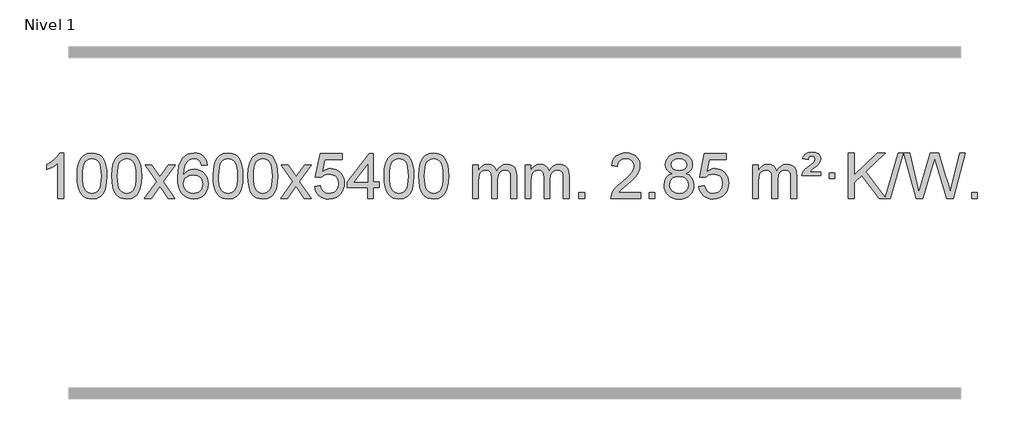
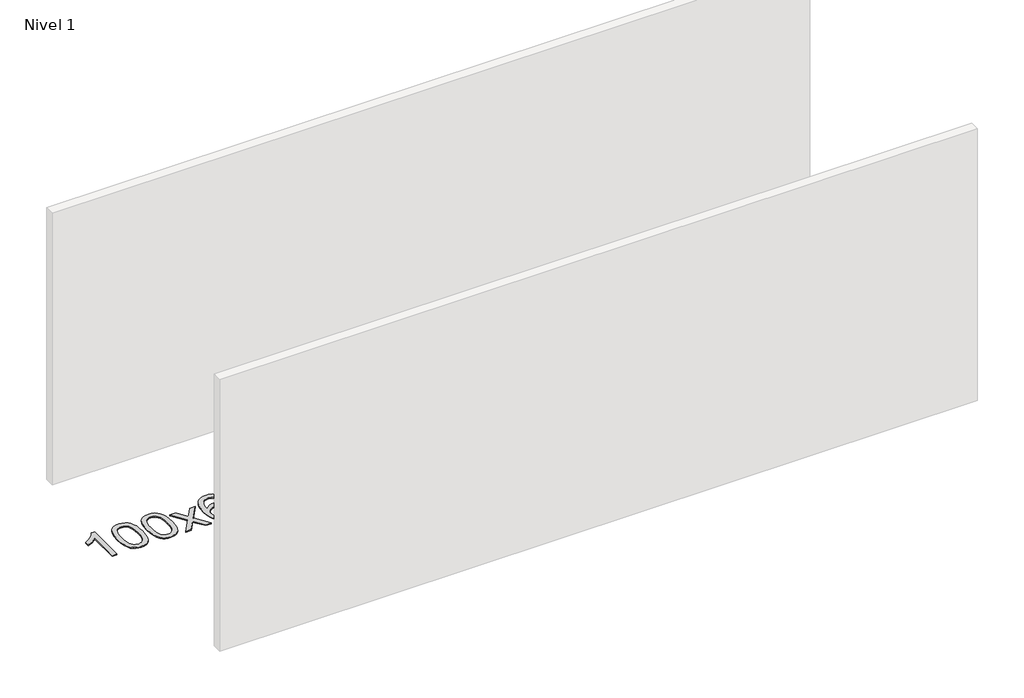
# One storey, part 7 of 16: 1 proxy.
"""IFC4 building model written with IfcOpenShell, lengths in millimetres."""

from ifc_helpers import new_model, si_unit, origin, origin_with_axes, place, context, project, spatial, polyline, outline, extrude, element, save

model = new_model("IFC4")

# Units and contexts
model_context = context("Model", 3, world=origin())
ifc_project = project(units=[si_unit("LENGTHUNIT", "METRE", prefix="MILLI")], contexts=[model_context])

# Site, building, storey
site = spatial("IfcSite", under=ifc_project)
building = spatial("IfcBuilding", under=site)
storey = spatial("IfcBuildingStorey", under=building, Name="Nivel 1", Elevation=0.0)

# Proxy
placement = place(None, origin())
element("IfcBuildingElementProxy", 1, Name="Texto de modelo 1", ObjectType="Texto de modelo 1", at=placement, inside=storey, context=model_context, shape_type="SweptSolid", body=[
    extrude(outline(polyline([(-275.4615788, -21520.579453), (-325.6897338, -21520.579453), (-325.6897338, -21207.4382987), (-346.6590076, -21224.3976587), (-373.2691385, -21241.3324932), (-426.146044, -21266.6918254), (-426.146044, -21219.2105225), (-386.6968314, -21197.7507395), (-352.520594, -21172.219729), (-325.5793692, -21145.0700378), (-307.8351943, -21118.7542124), (-275.4615788, -21118.7542124), (-275.4615788, -21520.579453)])), origin_with_axes(), (0.0, 0.0, 1.0), 10.0),
    extrude(outline(polyline([(-156.1697105, -21322.9041943), (-152.4786278, -21258.5861588), (-141.4053797, -21207.2911459), (-123.0603309, -21168.2343407), (-111.2022679, -21153.0009605), (-97.5538459, -21140.6309284), (-82.0690796, -21131.0598651), (-64.7019837, -21124.2233914), (-24.3208034, -21118.7542124), (6.6303351, -21121.991574), (34.3441121, -21131.7036586), (57.5206778, -21147.5103217), (74.8601825, -21169.0314184), (87.9567815, -21196.0830078), (98.4046302, -21228.4811488), (105.2472353, -21269.6226186), (107.5281037, -21322.9041943), (103.8738092, -21386.8543477), (92.9109257, -21438.0267333), (74.6762415, -21477.1203266), (62.8457697, -21492.3996922), (49.2065447, -21504.8341036), (33.7033843, -21514.4695462), (16.2811061, -21521.3520052), (-24.3208034, -21526.8579724), (-51.9855294, -21524.4667394), (-76.5109958, -21517.2930405), (-97.8972024, -21505.3368757), (-116.1441494, -21488.5982449), (-133.6553324, -21458.3399508), (-146.1633202, -21420.6381776), (-153.6681129, -21375.4929255), (-156.1697105, -21322.9041943)]), holes=[polyline([(-105.9415554, -21322.8060924), (-104.4700274, -21366.4706195), (-100.0554435, -21401.8148822), (-92.6978036, -21428.8388804), (-82.3971077, -21447.5426142), (-69.9381708, -21460.2682656), (-56.1058078, -21469.3580165), (-40.9000186, -21474.8118671), (-24.3208034, -21476.6298173), (-7.7415881, -21474.8057357), (7.464201, -21469.3334911), (21.296564, -21460.2130833), (33.7555009, -21447.4445124), (44.0561968, -21428.7101217), (51.4138367, -21401.6922549), (55.8284206, -21366.3909118), (57.2999486, -21322.8060924), (55.8774716, -21280.2973278), (51.6100404, -21245.5753989), (44.4976552, -21218.6403055), (34.5403158, -21199.4920476), (22.2898454, -21186.1440625), (8.2980668, -21176.6097875), (-7.4350198, -21170.8892225), (-24.9094146, -21168.9823675), (-41.4027907, -21170.6623619), (-56.3510624, -21175.7023452), (-69.7542298, -21184.1023175), (-81.6122928, -21195.8622786), (-92.2563452, -21216.708925), (-99.8592397, -21244.8151094), (-104.4209765, -21280.1808319), (-105.9415554, -21322.8060924)])]), origin_with_axes(), (0.0, 0.0, 1.0), 10.0),
    extrude(outline(polyline([(151.4777394, -21322.9041943), (155.1688221, -21258.5861588), (166.2420701, -21207.2911459), (184.5871189, -21168.2343407), (196.4451819, -21153.0009605), (210.0936039, -21140.6309284), (225.5783702, -21131.0598651), (242.9454661, -21124.2233914), (283.3266464, -21118.7542124), (314.277785, -21121.991574), (341.9915619, -21131.7036586), (365.1681276, -21147.5103217), (382.5076323, -21169.0314184), (395.6042314, -21196.0830078), (406.05208, -21228.4811488), (412.8946851, -21269.6226186), (415.1755535, -21322.9041943), (411.521259, -21386.8543477), (400.5583756, -21438.0267333), (382.3236913, -21477.1203266), (370.4932195, -21492.3996922), (356.8539945, -21504.8341036), (341.3508341, -21514.4695462), (323.928556, -21521.3520052), (283.3266464, -21526.8579724), (255.6619204, -21524.4667394), (231.1364541, -21517.2930405), (209.7502474, -21505.3368757), (191.5033004, -21488.5982449), (173.9921175, -21458.3399508), (161.4841296, -21420.6381776), (153.9793369, -21375.4929255), (151.4777394, -21322.9041943)]), holes=[polyline([(201.7058944, -21322.8060924), (203.1774224, -21366.4706195), (207.5920064, -21401.8148822), (214.9496463, -21428.8388804), (225.2503421, -21447.5426142), (237.709279, -21460.2682656), (251.5416421, -21469.3580165), (266.7474312, -21474.8118671), (283.3266464, -21476.6298173), (299.9058617, -21474.8057357), (315.1116508, -21469.3334911), (328.9440138, -21460.2130833), (341.4029507, -21447.4445124), (351.7036466, -21428.7101217), (359.0612865, -21401.6922549), (363.4758705, -21366.3909118), (364.9473984, -21322.8060924), (363.5249214, -21280.2973278), (359.2574902, -21245.5753989), (352.145105, -21218.6403055), (342.1877657, -21199.4920476), (329.9372952, -21186.1440625), (315.9455167, -21176.6097875), (300.21243, -21170.8892225), (282.7380352, -21168.9823675), (266.2446591, -21170.6623619), (251.2963874, -21175.7023452), (237.89322, -21184.1023175), (226.0351571, -21195.8622786), (215.3911047, -21216.708925), (207.7882101, -21244.8151094), (203.2264734, -21280.1808319), (201.7058944, -21322.8060924)])]), origin_with_axes(), (0.0, 0.0, 1.0), 10.0),
    extrude(outline(polyline([(440.2896311, -21520.579453), (547.6130718, -21372.2494325), (446.5681504, -21225.4890419), (506.9988995, -21225.4890419), (555.7555266, -21296.122385), (578.5151594, -21329.4770192), (598.2336343, -21302.2047007), (653.7592901, -21225.4890419), (714.1900392, -21225.4890419), (608.0438209, -21372.2494325), (710.2659646, -21520.579453), (649.8352155, -21520.579453), (588.3253459, -21431.4048574), (577.0436314, -21415.1199477), (500.7203801, -21520.579453), (440.2896311, -21520.579453)])), origin_with_axes(), (0.0, 0.0, 1.0), 10.0),
    extrude(outline(polyline([(999.0778563, -21225.4890419), (948.8497012, -21231.7675613), (940.7562973, -21206.874213), (929.8179393, -21189.8780648), (907.0337811, -21174.2062918), (879.4916824, -21168.9823675), (856.1434384, -21172.0235253), (834.1686206, -21181.1469988), (815.2962742, -21200.3627017), (799.8820186, -21226.8134171), (789.4709581, -21264.227016), (785.6081972, -21316.3313693), (805.7558678, -21292.8237098), (829.9011894, -21276.2567573), (856.6952614, -21266.434308), (884.7891831, -21263.1601582), (908.922242, -21265.398107), (931.1913654, -21272.1119534), (951.5965534, -21283.3016975), (970.137806, -21298.9673391), (985.5459302, -21318.1769106), (996.5517332, -21339.9984443), (1003.155215, -21364.4319401), (1005.3563756, -21391.4773982), (1001.2115718, -21427.4439945), (988.7771604, -21460.786366), (969.0832109, -21489.0642287), (943.159793, -21509.8372987), (912.184129, -21522.602804), (877.3334413, -21526.8579724), (847.3909126, -21524.0375437), (820.3485203, -21515.5762579), (796.2062643, -21501.4741147), (774.9641448, -21481.7311143), (757.6460999, -21455.5133908), (745.2760678, -21421.9870783), (737.8540485, -21381.1521768), (735.3800421, -21333.0086864), (738.1268943, -21279.0342663), (746.367451, -21232.9693092), (760.1017122, -21194.8138149), (779.3296778, -21164.5677835), (800.1701928, -21144.5243462), (824.3339085, -21130.2076052), (851.820825, -21121.6175606), (882.6309421, -21118.7542124), (905.7645882, -21120.5261773), (926.7032051, -21125.8420722), (945.4467927, -21134.7018969), (961.9953511, -21147.1056515), (975.9012906, -21162.6364031), (986.7170212, -21180.8772186), (994.4425431, -21201.8280983), (999.0778563, -21225.4890419)]), holes=[polyline([(785.6081972, -21390.6925832), (788.514465, -21412.9494439), (797.2332682, -21434.2007605), (810.7713257, -21452.472233), (828.1353558, -21465.7895612), (849.0923668, -21473.9197533), (873.4093667, -21476.6298173), (906.5555345, -21471.0134855), (920.4706709, -21463.9930708), (932.6138425, -21454.1644901), (942.4638829, -21441.9262824), (949.499626, -21427.6769865), (955.1282206, -21393.1451299), (949.5732024, -21359.9989621), (942.6294298, -21346.3781312), (932.9081481, -21334.725469), (920.7281883, -21325.3904634), (906.4083817, -21318.7226022), (871.3492275, -21313.3883133), (838.2521107, -21318.7226022), (810.5751219, -21334.725469), (799.6520924, -21346.2248471), (791.8499284, -21359.3858254), (787.16863, -21374.2084042), (785.6081972, -21390.6925832)])]), origin_with_axes(), (0.0, 0.0, 1.0), 10.0),
    extrude(outline(polyline([(1049.3060113, -21322.9041943), (1052.997094, -21258.5861588), (1064.0703421, -21207.2911459), (1082.4153909, -21168.2343407), (1094.2734539, -21153.0009605), (1107.9218759, -21140.6309284), (1123.4066422, -21131.0598651), (1140.7737381, -21124.2233914), (1181.1549184, -21118.7542124), (1212.1060569, -21121.991574), (1239.8198339, -21131.7036586), (1262.9963996, -21147.5103217), (1280.3359043, -21169.0314184), (1293.4325033, -21196.0830078), (1303.880352, -21228.4811488), (1310.7229571, -21269.6226186), (1313.0038255, -21322.9041943), (1309.349531, -21386.8543477), (1298.3866475, -21438.0267333), (1280.1519633, -21477.1203266), (1268.3214915, -21492.3996922), (1254.6822665, -21504.8341036), (1239.1791061, -21514.4695462), (1221.7568279, -21521.3520052), (1181.1549184, -21526.8579724), (1153.4901924, -21524.4667394), (1128.964726, -21517.2930405), (1107.5785194, -21505.3368757), (1089.3315724, -21488.5982449), (1071.8203894, -21458.3399508), (1059.3124016, -21420.6381776), (1051.8076089, -21375.4929255), (1049.3060113, -21322.9041943)]), holes=[polyline([(1099.5341664, -21322.8060924), (1101.0056944, -21366.4706195), (1105.4202783, -21401.8148822), (1112.7779182, -21428.8388804), (1123.0786141, -21447.5426142), (1135.537551, -21460.2682656), (1149.369914, -21469.3580165), (1164.5757032, -21474.8118671), (1181.1549184, -21476.6298173), (1197.7341337, -21474.8057357), (1212.9399228, -21469.3334911), (1226.7722858, -21460.2130833), (1239.2312227, -21447.4445124), (1249.5319186, -21428.7101217), (1256.8895585, -21401.6922549), (1261.3041424, -21366.3909118), (1262.7756704, -21322.8060924), (1261.3531934, -21280.2973278), (1257.0857622, -21245.5753989), (1249.973377, -21218.6403055), (1240.0160376, -21199.4920476), (1227.7655672, -21186.1440625), (1213.7737886, -21176.6097875), (1198.040702, -21170.8892225), (1180.5663072, -21168.9823675), (1164.0729311, -21170.6623619), (1149.1246594, -21175.7023452), (1135.721492, -21184.1023175), (1123.863429, -21195.8622786), (1113.2193766, -21216.708925), (1105.6164821, -21244.8151094), (1101.0547453, -21280.1808319), (1099.5341664, -21322.8060924)])]), origin_with_axes(), (0.0, 0.0, 1.0), 10.0),
    extrude(outline(polyline([(1356.9534612, -21322.9041943), (1360.6445439, -21258.5861588), (1371.7177919, -21207.2911459), (1390.0628407, -21168.2343407), (1401.9209037, -21153.0009605), (1415.5693257, -21140.6309284), (1431.054092, -21131.0598651), (1448.4211879, -21124.2233914), (1488.8023682, -21118.7542124), (1519.7535068, -21121.991574), (1547.4672837, -21131.7036586), (1570.6438494, -21147.5103217), (1587.9833541, -21169.0314184), (1601.0799532, -21196.0830078), (1611.5278018, -21228.4811488), (1618.3704069, -21269.6226186), (1620.6512753, -21322.9041943), (1616.9969808, -21386.8543477), (1606.0340974, -21438.0267333), (1587.7994131, -21477.1203266), (1575.9689413, -21492.3996922), (1562.3297163, -21504.8341036), (1546.8265559, -21514.4695462), (1529.4042778, -21521.3520052), (1488.8023682, -21526.8579724), (1461.1376422, -21524.4667394), (1436.6121759, -21517.2930405), (1415.2259692, -21505.3368757), (1396.9790222, -21488.5982449), (1379.4678393, -21458.3399508), (1366.9598514, -21420.6381776), (1359.4550587, -21375.4929255), (1356.9534612, -21322.9041943)]), holes=[polyline([(1407.1816162, -21322.8060924), (1408.6531442, -21366.4706195), (1413.0677282, -21401.8148822), (1420.4253681, -21428.8388804), (1430.7260639, -21447.5426142), (1443.1850008, -21460.2682656), (1457.0173639, -21469.3580165), (1472.223153, -21474.8118671), (1488.8023682, -21476.6298173), (1505.3815835, -21474.8057357), (1520.5873726, -21469.3334911), (1534.4197356, -21460.2130833), (1546.8786725, -21447.4445124), (1557.1793684, -21428.7101217), (1564.5370083, -21401.6922549), (1568.9515923, -21366.3909118), (1570.4231202, -21322.8060924), (1569.0006432, -21280.2973278), (1564.733212, -21245.5753989), (1557.6208268, -21218.6403055), (1547.6634875, -21199.4920476), (1535.413017, -21186.1440625), (1521.4212385, -21176.6097875), (1505.6881518, -21170.8892225), (1488.213757, -21168.9823675), (1471.7203809, -21170.6623619), (1456.7721092, -21175.7023452), (1443.3689418, -21184.1023175), (1431.5108789, -21195.8622786), (1420.8668265, -21216.708925), (1413.2639319, -21244.8151094), (1408.7021952, -21280.1808319), (1407.1816162, -21322.8060924)])]), origin_with_axes(), (0.0, 0.0, 1.0), 10.0),
    extrude(outline(polyline([(1645.7653528, -21520.579453), (1753.0887936, -21372.2494325), (1652.0438722, -21225.4890419), (1712.4746213, -21225.4890419), (1761.2312484, -21296.122385), (1783.9908812, -21329.4770192), (1803.7093561, -21302.2047007), (1859.2350119, -21225.4890419), (1919.665761, -21225.4890419), (1813.5195426, -21372.2494325), (1915.7416864, -21520.579453), (1855.3109373, -21520.579453), (1793.8010677, -21431.4048574), (1782.5193532, -21415.1199477), (1706.1961019, -21520.579453), (1645.7653528, -21520.579453)])), origin_with_axes(), (0.0, 0.0, 1.0), 10.0),
    extrude(outline(polyline([(1947.1342833, -21413.8446235), (1997.3624384, -21407.5661041), (2006.5840137, -21437.7201649), (2022.6727196, -21459.3148381), (2045.5549797, -21472.3010725), (2075.1572176, -21476.6298173), (2094.2870814, -21475.1245668), (2111.1606022, -21470.6088153), (2125.7777802, -21463.0825628), (2138.1386152, -21452.5458094), (2147.9671958, -21439.519721), (2154.9876106, -21424.5254641), (2160.6039424, -21388.6324441), (2155.3432298, -21354.8363514), (2148.7673392, -21340.9181493), (2139.5610922, -21328.9865099), (2127.6938322, -21319.4154467), (2113.1349023, -21312.5789729), (2075.9420325, -21307.1097939), (2051.5759817, -21309.2925604), (2031.8452441, -21315.8408599), (2016.0876319, -21325.8717757), (2003.6409578, -21338.5023908), (1953.4128027, -21332.2238715), (1997.3624384, -21125.0327318), (2191.9965393, -21125.0327318), (2191.9965393, -21175.2608869), (2037.9766106, -21175.2608869), (2016.4923021, -21285.919791), (2034.2180829, -21273.2155994), (2052.3730594, -21264.1411769), (2070.9572315, -21258.6965234), (2089.9705993, -21256.8816388), (2114.4316863, -21259.1318504), (2136.9000791, -21265.882485), (2157.3757779, -21277.1335427), (2175.8587824, -21292.8850234), (2191.1596077, -21312.1743027), (2202.0887687, -21334.038756), (2208.6462652, -21358.4783832), (2210.8320974, -21385.4931844), (2208.8639288, -21411.5147042), (2202.9594227, -21435.7213394), (2193.1185794, -21458.1130902), (2179.3413987, -21478.6899565), (2158.4702268, -21499.7634634), (2134.1164387, -21514.8159684), (2106.2800344, -21523.8474714), (2074.9610139, -21526.8579724), (2049.0406616, -21524.9235262), (2025.6280383, -21519.1201877), (2004.723144, -21509.447957), (1986.3259785, -21495.9068338), (1971.0190218, -21479.1712688), (1959.3847537, -21459.915712), (1951.4231742, -21438.1401636), (1947.1342833, -21413.8446235)])), origin_with_axes(), (0.0, 0.0, 1.0), 10.0),
    extrude(outline(polyline([(2418.0232371, -21520.579453), (2418.0232371, -21426.4016622), (2235.946175, -21426.4016622), (2235.946175, -21376.1735072), (2430.5802759, -21125.0327318), (2468.2513922, -21125.0327318), (2468.2513922, -21376.1735072), (2518.4795473, -21376.1735072), (2518.4795473, -21426.4016622), (2468.2513922, -21426.4016622), (2468.2513922, -21520.579453), (2418.0232371, -21520.579453)]), holes=[polyline([(2418.0232371, -21376.1735072), (2418.0232371, -21220.9763561), (2297.7503502, -21376.1735072), (2418.0232371, -21376.1735072)])]), origin_with_axes(), (0.0, 0.0, 1.0), 10.0),
    extrude(outline(polyline([(2562.429183, -21322.9041943), (2566.1202656, -21258.5861588), (2577.1935137, -21207.2911459), (2595.5385625, -21168.2343407), (2607.3966255, -21153.0009605), (2621.0450475, -21140.6309284), (2636.5298138, -21131.0598651), (2653.8969097, -21124.2233914), (2694.27809, -21118.7542124), (2725.2292286, -21121.991574), (2752.9430055, -21131.7036586), (2776.1195712, -21147.5103217), (2793.4590759, -21169.0314184), (2806.555675, -21196.0830078), (2817.0035236, -21228.4811488), (2823.8461287, -21269.6226186), (2826.1269971, -21322.9041943), (2822.4727026, -21386.8543477), (2811.5098192, -21438.0267333), (2793.2751349, -21477.1203266), (2781.4446631, -21492.3996922), (2767.8054381, -21504.8341036), (2752.3022777, -21514.4695462), (2734.8799996, -21521.3520052), (2694.27809, -21526.8579724), (2666.613364, -21524.4667394), (2642.0878976, -21517.2930405), (2620.701691, -21505.3368757), (2602.454744, -21488.5982449), (2584.9435611, -21458.3399508), (2572.4355732, -21420.6381776), (2564.9307805, -21375.4929255), (2562.429183, -21322.9041943)]), holes=[polyline([(2612.657338, -21322.8060924), (2614.128866, -21366.4706195), (2618.54345, -21401.8148822), (2625.9010899, -21428.8388804), (2636.2017857, -21447.5426142), (2648.6607226, -21460.2682656), (2662.4930856, -21469.3580165), (2677.6988748, -21474.8118671), (2694.27809, -21476.6298173), (2710.8573053, -21474.8057357), (2726.0630944, -21469.3334911), (2739.8954574, -21460.2130833), (2752.3543943, -21447.4445124), (2762.6550902, -21428.7101217), (2770.0127301, -21401.6922549), (2774.427314, -21366.3909118), (2775.898842, -21322.8060924), (2774.476365, -21280.2973278), (2770.2089338, -21245.5753989), (2763.0965486, -21218.6403055), (2753.1392093, -21199.4920476), (2740.8887388, -21186.1440625), (2726.8969603, -21176.6097875), (2711.1638736, -21170.8892225), (2693.6894788, -21168.9823675), (2677.1961027, -21170.6623619), (2662.247831, -21175.7023452), (2648.8446636, -21184.1023175), (2636.9866007, -21195.8622786), (2626.3425483, -21216.708925), (2618.7396537, -21244.8151094), (2614.1779169, -21280.1808319), (2612.657338, -21322.8060924)])]), origin_with_axes(), (0.0, 0.0, 1.0), 10.0),
    extrude(outline(polyline([(2870.0766328, -21322.9041943), (2873.7677155, -21258.5861588), (2884.8409635, -21207.2911459), (2903.1860124, -21168.2343407), (2915.0440753, -21153.0009605), (2928.6924974, -21140.6309284), (2944.1772637, -21131.0598651), (2961.5443595, -21124.2233914), (3001.9255399, -21118.7542124), (3032.8766784, -21121.991574), (3060.5904554, -21131.7036586), (3083.7670211, -21147.5103217), (3101.1065258, -21169.0314184), (3114.2031248, -21196.0830078), (3124.6509735, -21228.4811488), (3131.4935786, -21269.6226186), (3133.7744469, -21322.9041943), (3130.1201525, -21386.8543477), (3119.157269, -21438.0267333), (3100.9225848, -21477.1203266), (3089.0921129, -21492.3996922), (3075.452888, -21504.8341036), (3059.9497276, -21514.4695462), (3042.5274494, -21521.3520052), (3001.9255399, -21526.8579724), (2974.2608138, -21524.4667394), (2949.7353475, -21517.2930405), (2928.3491408, -21505.3368757), (2910.1021939, -21488.5982449), (2892.5910109, -21458.3399508), (2880.0830231, -21420.6381776), (2872.5782304, -21375.4929255), (2870.0766328, -21322.9041943)]), holes=[polyline([(2920.3047879, -21322.8060924), (2921.7763158, -21366.4706195), (2926.1908998, -21401.8148822), (2933.5485397, -21428.8388804), (2943.8492356, -21447.5426142), (2956.3081725, -21460.2682656), (2970.1405355, -21469.3580165), (2985.3463246, -21474.8118671), (3001.9255399, -21476.6298173), (3018.5047551, -21474.8057357), (3033.7105442, -21469.3334911), (3047.5429073, -21460.2130833), (3060.0018442, -21447.4445124), (3070.30254, -21428.7101217), (3077.6601799, -21401.6922549), (3082.0747639, -21366.3909118), (3083.5462919, -21322.8060924), (3082.1238148, -21280.2973278), (3077.8563837, -21245.5753989), (3070.7439984, -21218.6403055), (3060.7866591, -21199.4920476), (3048.5361887, -21186.1440625), (3034.5444101, -21176.6097875), (3018.8113234, -21170.8892225), (3001.3369287, -21168.9823675), (2984.8435526, -21170.6623619), (2969.8952808, -21175.7023452), (2956.4921135, -21184.1023175), (2944.6340505, -21195.8622786), (2933.9899981, -21216.708925), (2926.3871035, -21244.8151094), (2921.8253668, -21280.1808319), (2920.3047879, -21322.8060924)])]), origin_with_axes(), (0.0, 0.0, 1.0), 10.0),
    extrude(outline(polyline([(3347.244106, -21520.579453), (3347.244106, -21225.4890419), (3397.4722611, -21225.4890419), (3397.4722611, -21274.0494653), (3412.5799483, -21251.7435537), (3432.0041177, -21234.2691589), (3455.0825815, -21222.9751816), (3481.1531522, -21219.2105225), (3509.0876584, -21223.048758), (3531.4794092, -21234.5634645), (3548.2057772, -21252.9943524), (3559.1441352, -21277.5811324), (3577.4523959, -21252.0439906), (3598.3358304, -21233.803175), (3621.794439, -21222.8586857), (3647.8282215, -21219.2105225), (3667.9360383, -21220.7280358), (3685.585177, -21225.2805755), (3700.7756377, -21232.8681416), (3713.5074204, -21243.4907342), (3723.5720587, -21257.2709806), (3730.761086, -21274.3315082), (3735.0745024, -21294.6723168), (3736.5123078, -21318.2934066), (3736.5123078, -21520.579453), (3686.2841528, -21520.579453), (3686.2841528, -21339.875817), (3685.1191931, -21314.8230531), (3681.6243142, -21297.9372695), (3675.0760146, -21286.3735121), (3664.7507933, -21277.2868268), (3651.4702533, -21271.4007149), (3636.0559977, -21269.4386776), (3608.8449928, -21274.4663982), (3586.6617085, -21289.54956), (3578.0563355, -21301.1194488), (3571.9096405, -21315.7182326), (3566.9922845, -21354.0024856), (3566.9922845, -21520.579453), (3516.7641294, -21520.579453), (3516.7641294, -21334.2840106), (3513.8578616, -21305.8835206), (3505.1390583, -21285.6254854), (3489.7983791, -21273.4853796), (3467.0264836, -21269.4386776), (3447.6758907, -21272.1364789), (3429.8458767, -21280.2298828), (3415.1305968, -21293.5226856), (3405.1242066, -21311.8186835), (3399.3852475, -21337.2025411), (3397.4722611, -21371.7589232), (3397.4722611, -21520.579453), (3347.244106, -21520.579453)])), origin_with_axes(), (0.0, 0.0, 1.0), 10.0),
    extrude(outline(polyline([(3811.8545404, -21520.579453), (3811.8545404, -21225.4890419), (3862.0826955, -21225.4890419), (3862.0826955, -21274.0494653), (3877.1903828, -21251.7435537), (3896.6145521, -21234.2691589), (3919.693016, -21222.9751816), (3945.7635867, -21219.2105225), (3973.6980929, -21223.048758), (3996.0898436, -21234.5634645), (4012.8162117, -21252.9943524), (4023.7545697, -21277.5811324), (4042.0628303, -21252.0439906), (4062.9462649, -21233.803175), (4086.4048734, -21222.8586857), (4112.438656, -21219.2105225), (4132.5464727, -21220.7280358), (4150.1956114, -21225.2805755), (4165.3860721, -21232.8681416), (4178.1178548, -21243.4907342), (4188.1824931, -21257.2709806), (4195.3715204, -21274.3315082), (4199.6849368, -21294.6723168), (4201.1227423, -21318.2934066), (4201.1227423, -21520.579453), (4150.8945872, -21520.579453), (4150.8945872, -21339.875817), (4149.7296276, -21314.8230531), (4146.2347486, -21297.9372695), (4139.6864491, -21286.3735121), (4129.3612278, -21277.2868268), (4116.0806877, -21271.4007149), (4100.6664321, -21269.4386776), (4073.4554272, -21274.4663982), (4051.2721429, -21289.54956), (4042.6667699, -21301.1194488), (4036.5200749, -21315.7182326), (4031.6027189, -21354.0024856), (4031.6027189, -21520.579453), (3981.3745638, -21520.579453), (3981.3745638, -21334.2840106), (3978.4682961, -21305.8835206), (3969.7494928, -21285.6254854), (3954.4088136, -21273.4853796), (3931.6369181, -21269.4386776), (3912.2863251, -21272.1364789), (3894.4563111, -21280.2298828), (3879.7410313, -21293.5226856), (3869.734641, -21311.8186835), (3863.9956819, -21337.2025411), (3862.0826955, -21371.7589232), (3862.0826955, -21520.579453), (3811.8545404, -21520.579453)])), origin_with_axes(), (0.0, 0.0, 1.0), 10.0),
    extrude(outline(polyline([(4289.0220137, -21520.579453), (4289.0220137, -21470.3512979), (4339.2501687, -21470.3512979), (4339.2501687, -21520.579453), (4289.0220137, -21520.579453)])), origin_with_axes(), (0.0, 0.0, 1.0), 10.0),
    extrude(outline(polyline([(4835.2532001, -21470.3512979), (4835.2532001, -21520.579453), (4571.555386, -21520.579453), (4572.6590319, -21502.8965918), (4576.9509885, -21485.9494945), (4589.3363491, -21458.8856424), (4607.4606687, -21432.6311307), (4633.6783922, -21405.1503456), (4670.3439644, -21374.4076736), (4724.545245, -21326.2641831), (4757.0660134, -21290.7267824), (4773.3263976, -21261.884834), (4778.7465256, -21233.8277005), (4773.6329659, -21208.6768347), (4758.2922867, -21187.7688747), (4734.7110508, -21173.6789943), (4704.875821, -21168.9823675), (4673.5445377, -21173.5686297), (4649.2030124, -21187.3274163), (4633.4944512, -21209.1796068), (4628.0620604, -21238.0460807), (4577.8339053, -21231.7675613), (4582.1534531, -21205.838012), (4590.0107994, -21183.1826125), (4601.4059442, -21163.8013627), (4616.3388875, -21147.6942627), (4634.4662728, -21135.0329907), (4655.4447436, -21125.989225), (4679.2742998, -21120.5629655), (4705.9549415, -21118.7542124), (4732.8747065, -21120.7653006), (4756.8330215, -21126.7985654), (4777.8298863, -21136.8540066), (4795.8653011, -21150.9316242), (4810.3506547, -21167.9890861), (4820.6973358, -21186.9840598), (4826.9053445, -21207.9165453), (4828.9746807, -21230.7865427), (4826.7428633, -21254.8092369), (4820.047411, -21278.4149983), (4808.1648225, -21302.4254299), (4790.3715967, -21327.6621347), (4762.0078949, -21357.7916701), (4718.4138784, -21396.4805933), (4660.6318797, -21444.795762), (4637.9703488, -21470.3512979), (4835.2532001, -21470.3512979)])), origin_with_axes(), (0.0, 0.0, 1.0), 10.0),
    extrude(outline(polyline([(4910.5954327, -21520.579453), (4910.5954327, -21470.3512979), (4960.8235878, -21470.3512979), (4960.8235878, -21520.579453), (4910.5954327, -21520.579453)])), origin_with_axes(), (0.0, 0.0, 1.0), 10.0),
    extrude(outline(polyline([(5115.6283314, -21299.2616447), (5088.7361575, -21286.0178929), (5069.8638112, -21268.0652515), (5058.7169867, -21245.7716026), (5055.0013785, -21219.5048281), (5057.0247295, -21199.0199324), (5063.0947824, -21180.2395565), (5073.2115373, -21163.1637006), (5087.3749941, -21147.7923645), (5104.9045712, -21135.088173), (5125.1196868, -21126.0137504), (5148.020341, -21120.5690969), (5173.6065338, -21118.7542124), (5199.3153539, -21120.6120165), (5222.3876864, -21126.1854287), (5242.8235312, -21135.4744491), (5260.6228884, -21148.4790776), (5275.0438626, -21164.1508506), (5285.3445585, -21181.4413044), (5291.524976, -21200.3504389), (5293.5851152, -21220.8782543), (5289.9185579, -21246.2989001), (5278.9188863, -21268.2124043), (5260.4634729, -21286.0546811), (5234.4296903, -21299.2616447), (5265.3440407, -21315.1909351), (5287.846156, -21338.6495436), (5301.5681544, -21368.5092989), (5306.1421539, -21403.6420295), (5303.8735483, -21428.6947933), (5297.0677314, -21451.6628926), (5285.7247032, -21472.5463272), (5269.8444637, -21491.3450971), (5250.2608789, -21506.88198), (5227.8078144, -21517.9797536), (5202.4852704, -21524.6384177), (5174.2932469, -21526.8579724), (5146.1012233, -21524.6292206), (5120.7786793, -21517.9429654), (5098.3256148, -21506.7992066), (5078.74203, -21491.1979443), (5062.8617905, -21472.26735), (5051.5187623, -21451.135595), (5044.7129454, -21427.8026795), (5042.4443398, -21402.2686033), (5047.2022803, -21365.7747094), (5061.4761017, -21335.7555386), (5084.53004, -21313.2411605), (5115.6283314, -21299.2616447)]), holes=[polyline([(5105.2295336, -21220.9763561), (5109.6809058, -21242.902123), (5123.0350222, -21260.413306), (5144.8994754, -21271.8912243), (5174.881858, -21275.717197), (5204.1652649, -21271.9157497), (5225.6986243, -21260.5114079), (5238.9423761, -21243.5888361), (5243.3569601, -21223.232699), (5238.7952233, -21202.1040098), (5225.1100131, -21184.629615), (5203.2823481, -21172.8941794), (5174.2932469, -21168.9823675), (5145.1202046, -21172.8083402), (5123.3293278, -21184.2862585), (5109.7544822, -21201.1107284), (5105.2295336, -21220.9763561)]), polyline([(5092.6724949, -21400.5027698), (5094.7694222, -21419.7184726), (5101.0602043, -21438.3210389), (5112.6730127, -21454.5446349), (5130.7360186, -21466.623427), (5152.3674799, -21474.1282197), (5174.6856543, -21476.6298173), (5208.8741544, -21471.3691048), (5222.7678311, -21464.7932141), (5234.5277922, -21455.5869672), (5250.5674472, -21431.6869002), (5255.9139988, -21402.0723996), (5250.3957689, -21371.9551269), (5233.8410791, -21347.5277625), (5221.762287, -21338.0854579), (5207.5988301, -21331.3409547), (5173.0179226, -21325.9453521), (5139.3076691, -21331.2673783), (5125.5703423, -21337.919911), (5113.9115487, -21347.2334569), (5097.9822583, -21371.1948375), (5092.6724949, -21400.5027698)])]), origin_with_axes(), (0.0, 0.0, 1.0), 10.0),
    extrude(outline(polyline([(5350.0917896, -21413.8446235), (5400.3199447, -21407.5661041), (5409.54152, -21437.7201649), (5425.630226, -21459.3148381), (5448.5124861, -21472.3010725), (5478.1147239, -21476.6298173), (5497.2445877, -21475.1245668), (5514.1181085, -21470.6088153), (5528.7352865, -21463.0825628), (5541.0961215, -21452.5458094), (5550.9247021, -21439.519721), (5557.9451169, -21424.5254641), (5563.5614487, -21388.6324441), (5558.3007361, -21354.8363514), (5551.7248455, -21340.9181493), (5542.5185986, -21328.9865099), (5530.6513385, -21319.4154467), (5516.0924086, -21312.5789729), (5478.8995389, -21307.1097939), (5454.533488, -21309.2925604), (5434.8027504, -21315.8408599), (5419.0451382, -21325.8717757), (5406.5984641, -21338.5023908), (5356.370309, -21332.2238715), (5400.3199447, -21125.0327318), (5594.9540456, -21125.0327318), (5594.9540456, -21175.2608869), (5440.934117, -21175.2608869), (5419.4498084, -21285.919791), (5437.1755892, -21273.2155994), (5455.3305657, -21264.1411769), (5473.9147378, -21258.6965234), (5492.9281056, -21256.8816388), (5517.3891926, -21259.1318504), (5539.8575855, -21265.882485), (5560.3332842, -21277.1335427), (5578.8162887, -21292.8850234), (5594.1171141, -21312.1743027), (5605.046275, -21334.038756), (5611.6037716, -21358.4783832), (5613.7896038, -21385.4931844), (5611.8214351, -21411.5147042), (5605.9169291, -21435.7213394), (5596.0760857, -21458.1130902), (5582.298905, -21478.6899565), (5561.4277331, -21499.7634634), (5537.073945, -21514.8159684), (5509.2375407, -21523.8474714), (5477.9185202, -21526.8579724), (5451.998168, -21524.9235262), (5428.5855447, -21519.1201877), (5407.6806503, -21509.447957), (5389.2834848, -21495.9068338), (5373.9765281, -21479.1712688), (5362.3422601, -21459.915712), (5354.3806805, -21438.1401636), (5350.0917896, -21413.8446235)])), origin_with_axes(), (0.0, 0.0, 1.0), 10.0),
    extrude(outline(polyline([(5827.2592628, -21520.579453), (5827.2592628, -21225.4890419), (5877.4874179, -21225.4890419), (5877.4874179, -21274.0494653), (5892.5951052, -21251.7435537), (5912.0192745, -21234.2691589), (5935.0977383, -21222.9751816), (5961.1683091, -21219.2105225), (5989.1028152, -21223.048758), (6011.494566, -21234.5634645), (6028.2209341, -21252.9943524), (6039.159292, -21277.5811324), (6057.4675527, -21252.0439906), (6078.3509873, -21233.803175), (6101.8095958, -21222.8586857), (6127.8433783, -21219.2105225), (6147.9511951, -21220.7280358), (6165.6003338, -21225.2805755), (6180.7907945, -21232.8681416), (6193.5225772, -21243.4907342), (6203.5872155, -21257.2709806), (6210.7762428, -21274.3315082), (6215.0896592, -21294.6723168), (6216.5274647, -21318.2934066), (6216.5274647, -21520.579453), (6166.2993096, -21520.579453), (6166.2993096, -21339.875817), (6165.1343499, -21314.8230531), (6161.639471, -21297.9372695), (6155.0911715, -21286.3735121), (6144.7659501, -21277.2868268), (6131.4854101, -21271.4007149), (6116.0711545, -21269.4386776), (6088.8601496, -21274.4663982), (6066.6768653, -21289.54956), (6058.0714923, -21301.1194488), (6051.9247973, -21315.7182326), (6047.0074413, -21354.0024856), (6047.0074413, -21520.579453), (5996.7792862, -21520.579453), (5996.7792862, -21334.2840106), (5993.8730184, -21305.8835206), (5985.1542152, -21285.6254854), (5969.813536, -21273.4853796), (5947.0416405, -21269.4386776), (5927.6910475, -21272.1364789), (5909.8610335, -21280.2298828), (5895.1457537, -21293.5226856), (5885.1393634, -21311.8186835), (5879.4004043, -21337.2025411), (5877.4874179, -21371.7589232), (5877.4874179, -21520.579453), (5827.2592628, -21520.579453)])), origin_with_axes(), (0.0, 0.0, 1.0), 10.0),
    extrude(outline(polyline([(6260.4771003, -21319.6668327), (6264.3030731, -21303.8479069), (6272.6417317, -21287.9799302), (6294.1505656, -21262.8413272), (6326.1072483, -21235.1030247), (6370.2530877, -21197.726214), (6377.3899984, -21186.1992448), (6379.7689686, -21174.3779701), (6377.8805077, -21162.2869152), (6372.215125, -21152.5012541), (6362.8463969, -21146.026531), (6349.8478997, -21143.8682899), (6337.4134883, -21145.4869707), (6328.5597949, -21150.343013), (6322.1341227, -21159.8098431), (6316.9837748, -21175.2608869), (6266.7556197, -21168.9823675), (6277.5958759, -21143.7701881), (6294.224142, -21126.2099542), (6317.9893189, -21115.9092583), (6350.2403072, -21112.475693), (6386.0229626, -21116.6082341), (6410.7691581, -21129.0058573), (6425.1901323, -21147.3386434), (6429.9971237, -21169.2766731), (6425.9013708, -21192.1834586), (6413.6141122, -21213.8149199), (6393.0862969, -21233.6314968), (6356.6169284, -21261.6886303), (6331.0123416, -21288.2742358), (6429.9971237, -21288.2742358), (6429.9971237, -21319.6668327), (6260.4771003, -21319.6668327)])), origin_with_axes(), (0.0, 0.0, 1.0), 10.0),
    extrude(outline(polyline([(6505.3393563, -21344.7809102), (6505.3393563, -21294.5527552), (6555.5675114, -21294.5527552), (6555.5675114, -21344.7809102), (6505.3393563, -21344.7809102)])), origin_with_axes(), (0.0, 0.0, 1.0), 10.0),
    extrude(outline(polyline([(6946.2091394, -21520.579453), (6792.7778219, -21317.9009991), (6725.0875348, -21382.4520265), (6725.0875348, -21520.579453), (6674.8593797, -21520.579453), (6674.8593797, -21118.7542124), (6725.0875348, -21118.7542124), (6725.0875348, -21315.4484525), (6931.1014521, -21118.7542124), (7001.3423877, -21118.7542124), (6828.388799, -21283.9577537), (7003.0424089, -21514.5349332), (7114.3557366, -21118.7542124), (7159.6787984, -21118.7542124), (7046.6654495, -21520.579453), (7007.6209071, -21520.579453), (7001.3423877, -21520.579453), (6946.2091394, -21520.579453)])), origin_with_axes(), (0.0, 0.0, 1.0), 10.0),
    extrude(outline(polyline([(7274.1636753, -21520.579453), (7164.5838917, -21118.7542124), (7216.3816766, -21118.7542124), (7279.9516854, -21382.844434), (7299.5720585, -21464.3670841), (7320.5658576, -21392.2622131), (7400.2245723, -21118.7542124), (7474.8800919, -21118.7542124), (7532.7601925, -21317.0180823), (7557.5554389, -21390.5944814), (7575.8269114, -21464.3670841), (7594.8586732, -21385.1988788), (7659.0172932, -21118.7542124), (7710.8150781, -21118.7542124), (7601.1371926, -21520.579453), (7547.4754723, -21520.579453), (7451.1394405, -21210.5775584), (7437.6994849, -21167.3146358), (7422.5917976, -21219.4067263), (7334.7906281, -21520.579453), (7274.1636753, -21520.579453)])), origin_with_axes(), (0.0, 0.0, 1.0), 10.0),
    extrude(outline(polyline([(7767.3217526, -21520.579453), (7767.3217526, -21470.3512979), (7817.5499077, -21470.3512979), (7817.5499077, -21520.579453), (7767.3217526, -21520.579453)])), origin_with_axes(), (0.0, 0.0, 1.0), 10.0),
])

save(model, "model.ifc")
